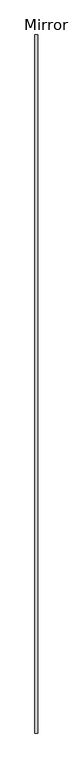
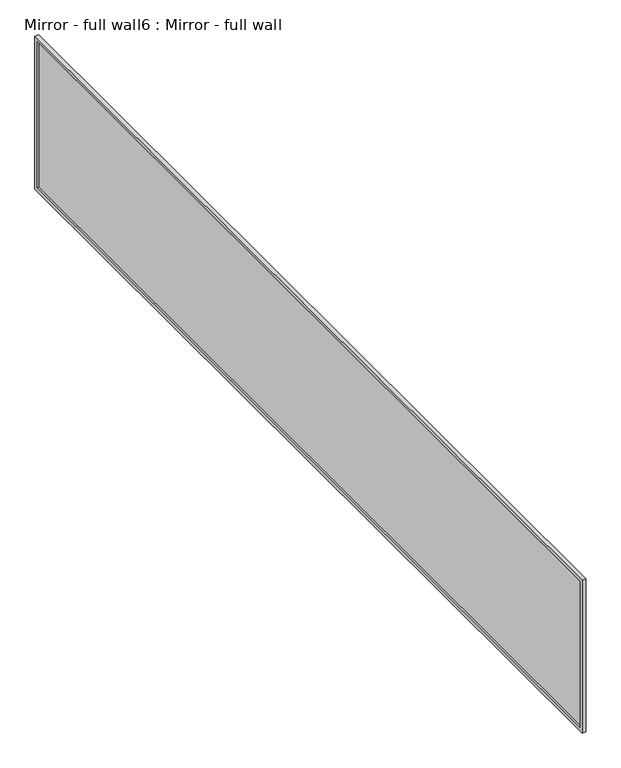
"""IFC4 building model written with IfcOpenShell, lengths in millimetres: proxy geometry, Mirror - full wall6 : Mirror - full wall."""

from ifc_helpers import new_model, si_unit, frame, origin, place, context, project, spatial, polyline, outline, extrude, source, transform, mapped, element, save


def mirror_full_wall6_mirror_full_wall_ac46e60c(model_context):
    return source(origin(), model_context, "Body", "SweptSolid", [
        extrude(outline(polyline([(463941.9004676, -333531.4192992), (463941.9004676, -327027.2191335), (463954.6004676, -327027.2191335), (463954.6004676, -333531.4192992), (463941.9004676, -333531.4192992)])), frame((0.0, 0.0, 1041.4), z_axis=(0.0, 0.0, 1.0), x_axis=(1.0, 0.0, 0.0)), (0.0, 0.0, 1.0), 1066.8),
        extrude(outline(polyline([(-327001.8191335, 2133.6), (-327001.8191335, 1016.0), (-333557.4221716, 1016.0), (-333557.4221716, 2133.6), (-327001.8191335, 2133.6)]), holes=[polyline([(-327027.2191335, 2108.2), (-333531.4192992, 2108.2), (-333531.4192992, 1041.4), (-327027.2191335, 1041.4), (-327027.2191335, 2108.2)])]), frame((463929.2004676, 0.0, 0.0), z_axis=(1.0, 0.0, 0.0), x_axis=(0.0, 1.0, 0.0)), (0.0, 0.0, 1.0), 25.4),
    ])


if __name__ == "__main__":
    model = new_model("IFC4")
    model_context = context("Model", 3, world=origin())
    ifc_project = project(units=[si_unit("LENGTHUNIT", "METRE", prefix="MILLI")], contexts=[model_context])
    site = spatial("IfcSite", under=ifc_project)
    building = spatial("IfcBuilding", under=site)
    placement = place(None, origin())
    mirror_full_wall6_mirror_full_wall_shape = mirror_full_wall6_mirror_full_wall_ac46e60c(model_context)
    element("IfcBuildingElementProxy", 1, Name="Mirror - full wall6 : Mirror - full wall", ObjectType="Mirror - full wall6 : Mirror - full wall", at=placement, inside=building, context=model_context, shape_type="MappedRepresentation", body=[
        mapped(mirror_full_wall6_mirror_full_wall_shape, transform((0.0, 0.0, 0.0), x_axis=(1.0, 0.0, 0.0), y_axis=(0.0, 1.0, 0.0), z_axis=(0.0, 0.0, 1.0))),
    ])
    save(model, "model.ifc")
